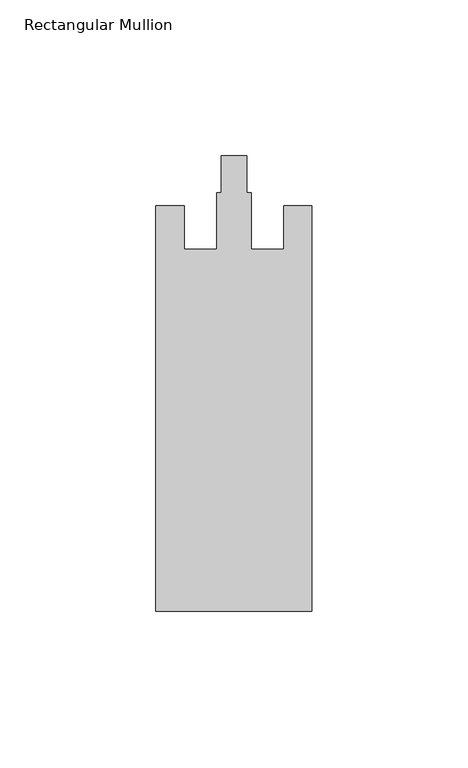
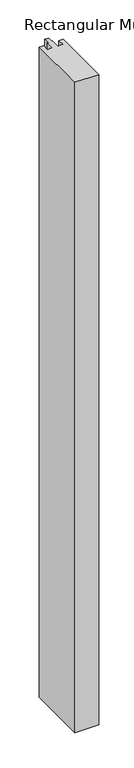
"""IFC4 building model written with IfcOpenShell, lengths in millimetres: member geometry, Rectangular Mullion."""

from ifc_helpers import new_model, si_unit, frame, origin, place, context, project, spatial, polyline, outline, extrude, source, transform, mapped, element, save


def rectangular_mullion_b58e218a(model_context):
    return source(origin(), model_context, "Body", "SweptSolid", [
        extrude(outline(polyline([(25.0, -153.0), (-25.0, -153.0), (-25.0, -23.0), (-16.0, -23.0), (-16.0, -37.0), (-5.5, -37.0), (-5.5, -18.8), (-4.1, -18.8), (-4.1, -7.0), (4.1, -7.0), (4.1, -18.8), (5.5, -18.8), (5.5, -37.0), (16.0, -37.0), (16.0, -23.0), (25.0, -23.0), (25.0, -153.0)])), frame((0.0, 0.0, -1450.0), z_axis=(0.0, 0.0, 1.0), x_axis=(1.0, 0.0, 0.0)), (0.0, 0.0, 1.0), 1450.0),
    ])


if __name__ == "__main__":
    model = new_model("IFC4")
    model_context = context("Model", 3, world=origin())
    ifc_project = project(units=[si_unit("LENGTHUNIT", "METRE", prefix="MILLI")], contexts=[model_context])
    site = spatial("IfcSite", under=ifc_project)
    building = spatial("IfcBuilding", under=site)
    placement = place(None, origin())
    rectangular_mullion_shape = rectangular_mullion_b58e218a(model_context)
    element("IfcMember", 1, ObjectType="Rectangular Mullion", at=placement, inside=building, context=model_context, shape_type="MappedRepresentation", body=[
        mapped(rectangular_mullion_shape, transform((0.0, 0.0, 0.0), x_axis=(1.0, 0.0, 0.0), y_axis=(0.0, 1.0, 0.0), z_axis=(0.0, 0.0, 1.0))),
    ])
    save(model, "model.ifc")
